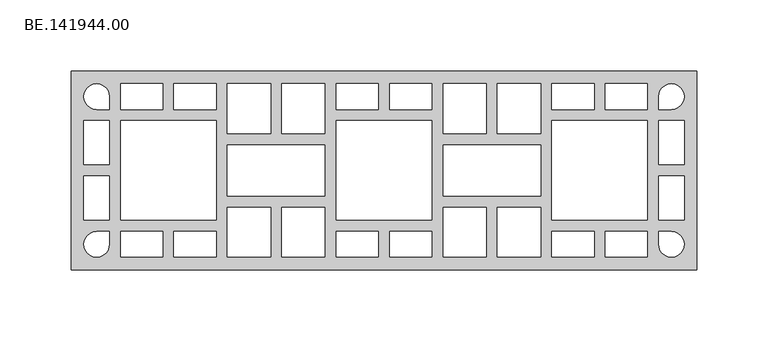
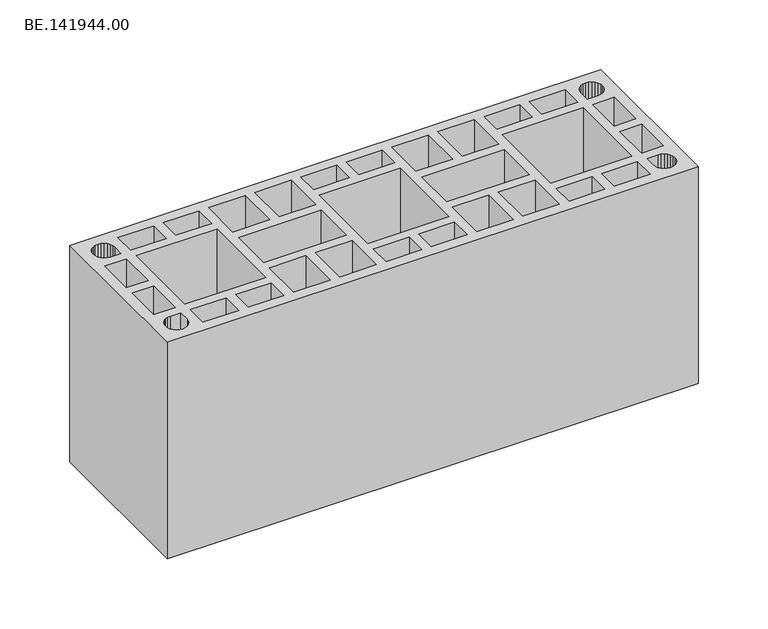
"""IFC4 building model written with IfcOpenShell, lengths in millimetres: proxy geometry, BE.141944.00."""

from ifc_helpers import new_model, si_unit, origin, origin_with_axes, place, context, project, spatial, polyline, outline, extrude, source, transform, mapped, element, save


def be_141944_00_9d6c3608(model_context):
    return source(origin(), model_context, "Body", "SweptSolid", [
        extrude(outline(polyline([(445.0, 70.0050293), (445.0, -70.0050293), (5.0, -70.0050293), (5.0, 70.0050293), (445.0, 70.0050293)]), holes=[polyline([(427.1016949, 42.9949707), (429.417906, 43.3016383), (431.5762712, 44.2007421), (433.4297014, 45.6310097), (434.8518884, 47.4949707), (435.7459125, 49.6655993), (436.0508475, 51.9949707), (435.7459125, 54.3243421), (434.8518884, 56.4949707), (433.4297014, 58.3589317), (431.5762712, 59.7891993), (429.417906, 60.6883031), (427.1016949, 60.9949707), (424.7854838, 60.6883031), (422.6271186, 59.7891993), (420.7736885, 58.3589317), (419.3515015, 56.4949707), (418.4574774, 54.3243421), (418.1525424, 51.9949707), (418.1525424, 42.9949707), (427.1016949, 42.9949707)]), polyline([(436.0508475, 34.9949707), (418.1525424, 34.9949707), (418.1525424, 3.9949707), (436.0508475, 3.9949707), (436.0508475, 34.9949707)]), polyline([(436.0508475, -35.0050293), (436.0508475, -4.0050293), (418.1525424, -4.0050293), (418.1525424, -35.0050293), (436.0508475, -35.0050293)]), polyline([(418.1525424, -43.0050293), (418.1525424, -52.0050293), (418.4574774, -54.3344007), (419.3515015, -56.5050293), (420.7736885, -58.3689903), (422.6271186, -59.7992579), (424.7854838, -60.6983617), (427.1016949, -61.0050293), (429.417906, -60.6983617), (431.5762712, -59.7992579), (433.4297014, -58.3689903), (434.8518884, -56.5050293), (435.7459125, -54.3344007), (436.0508475, -52.0050293), (435.7459125, -49.6756579), (434.8518884, -47.5050293), (433.4297014, -45.6410683), (431.5762712, -44.2108007), (429.417906, -43.3116969), (427.1016949, -43.0050293), (418.1525424, -43.0050293)]), polyline([(380.6158192, -61.0050293), (410.1977401, -61.0050293), (410.1977401, -43.0050293), (380.6158192, -43.0050293), (380.6158192, -61.0050293)]), polyline([(372.6610169, -43.0050293), (343.079096, -43.0050293), (343.079096, -61.0050293), (372.6610169, -61.0050293), (372.6610169, -43.0050293)]), polyline([(343.079096, -35.0050293), (410.1977401, -35.0050293), (410.1977401, 34.9949707), (343.079096, 34.9949707), (343.079096, -35.0050293)]), polyline([(380.6158192, 42.9949707), (410.1977401, 42.9949707), (410.1977401, 60.9949707), (380.6158192, 60.9949707), (380.6158192, 42.9949707)]), polyline([(343.079096, 42.9949707), (372.6610169, 42.9949707), (372.6610169, 60.9949707), (343.079096, 60.9949707), (343.079096, 42.9949707)]), polyline([(335.1242938, 25.9949707), (335.1242938, 60.9949707), (304.7966102, 60.9949707), (304.7966102, 25.9949707), (335.1242938, 25.9949707)]), polyline([(335.1242938, -18.0050293), (335.1242938, 17.9949707), (266.5141243, 17.9949707), (266.5141243, -18.0050293), (335.1242938, -18.0050293)]), polyline([(296.8418079, 25.9949707), (296.8418079, 60.9949707), (266.5141243, 60.9949707), (266.5141243, 25.9949707), (296.8418079, 25.9949707)]), polyline([(266.5141243, -26.0050293), (266.5141243, -61.0050293), (296.8418079, -61.0050293), (296.8418079, -26.0050293), (266.5141243, -26.0050293)]), polyline([(304.7966102, -26.0050293), (304.7966102, -61.0050293), (335.1242938, -61.0050293), (335.1242938, -26.0050293), (304.7966102, -26.0050293)]), polyline([(228.9774011, -61.0050293), (258.559322, -61.0050293), (258.559322, -43.0050293), (228.9774011, -43.0050293), (228.9774011, -61.0050293)]), polyline([(221.0225989, -61.0050293), (221.0225989, -43.0050293), (191.440678, -43.0050293), (191.440678, -61.0050293), (221.0225989, -61.0050293)]), polyline([(258.559322, -35.0050293), (258.559322, 34.9949707), (191.440678, 34.9949707), (191.440678, -35.0050293), (258.559322, -35.0050293)]), polyline([(228.9774011, 60.9949707), (228.9774011, 42.9949707), (258.559322, 42.9949707), (258.559322, 60.9949707), (228.9774011, 60.9949707)]), polyline([(221.0225989, 60.9949707), (191.440678, 60.9949707), (191.440678, 42.9949707), (221.0225989, 42.9949707), (221.0225989, 60.9949707)]), polyline([(153.1581921, 60.9949707), (153.1581921, 25.9949707), (183.4858757, 25.9949707), (183.4858757, 60.9949707), (153.1581921, 60.9949707)]), polyline([(114.8757062, 60.9949707), (114.8757062, 25.9949707), (145.2033898, 25.9949707), (145.2033898, 60.9949707), (114.8757062, 60.9949707)]), polyline([(183.4858757, 17.9949707), (114.8757062, 17.9949707), (114.8757062, -18.0050293), (183.4858757, -18.0050293), (183.4858757, 17.9949707)]), polyline([(114.8757062, -26.0050293), (114.8757062, -61.0050293), (145.2033898, -61.0050293), (145.2033898, -26.0050293), (114.8757062, -26.0050293)]), polyline([(153.1581921, -26.0050293), (153.1581921, -61.0050293), (183.4858757, -61.0050293), (183.4858757, -26.0050293), (153.1581921, -26.0050293)]), polyline([(106.920904, -43.0050293), (77.3389831, -43.0050293), (77.3389831, -61.0050293), (106.920904, -61.0050293), (106.920904, -43.0050293)]), polyline([(69.3841808, -43.0050293), (39.8022599, -43.0050293), (39.8022599, -61.0050293), (69.3841808, -61.0050293), (69.3841808, -43.0050293)]), polyline([(31.8474576, -43.0050293), (22.8983051, -43.0050293), (20.582094, -43.3116969), (18.4237288, -44.2108007), (16.5702986, -45.6410683), (15.1481116, -47.5050293), (14.2540875, -49.6756579), (13.9491525, -52.0050293), (14.2540875, -54.3344007), (15.1481116, -56.5050293), (16.5702986, -58.3689903), (18.4237288, -59.7992579), (20.582094, -60.6983617), (22.8983051, -61.0050293), (25.2145162, -60.6983617), (27.3728814, -59.7992579), (29.2263115, -58.3689903), (30.6484985, -56.5050293), (31.5425226, -54.3344007), (31.8474576, -52.0050293), (31.8474576, -43.0050293)]), polyline([(31.8474576, -4.0050293), (13.9491525, -4.0050293), (13.9491525, -35.0050293), (31.8474576, -35.0050293), (31.8474576, -4.0050293)]), polyline([(31.8474576, 3.9949707), (31.8474576, 34.9949707), (13.9491525, 34.9949707), (13.9491525, 3.9949707), (31.8474576, 3.9949707)]), polyline([(31.8474576, 42.9949707), (31.8474576, 51.9949707), (31.5425226, 54.3243421), (30.6484985, 56.4949707), (29.2263115, 58.3589317), (27.3728814, 59.7891993), (25.2145162, 60.6883031), (22.8983051, 60.9949707), (20.582094, 60.6883031), (18.4237288, 59.7891993), (16.5702986, 58.3589317), (15.1481116, 56.4949707), (14.2540875, 54.3243421), (13.9491525, 51.9949707), (14.2540875, 49.6655993), (15.1481116, 47.4949707), (16.5702986, 45.6310097), (18.4237288, 44.2007421), (20.582094, 43.3016383), (22.8983051, 42.9949707), (31.8474576, 42.9949707)]), polyline([(39.8022599, 60.9949707), (39.8022599, 42.9949707), (69.3841808, 42.9949707), (69.3841808, 60.9949707), (39.8022599, 60.9949707)]), polyline([(77.3389831, 60.9949707), (77.3389831, 42.9949707), (106.920904, 42.9949707), (106.920904, 60.9949707), (77.3389831, 60.9949707)]), polyline([(106.920904, 34.9949707), (39.8022599, 34.9949707), (39.8022599, -35.0050293), (106.920904, -35.0050293), (106.920904, 34.9949707)])]), origin_with_axes(), (0.0, 0.0, 1.0), 190.0),
    ])


if __name__ == "__main__":
    model = new_model("IFC4")
    model_context = context("Model", 3, world=origin())
    ifc_project = project(units=[si_unit("LENGTHUNIT", "METRE", prefix="MILLI")], contexts=[model_context])
    site = spatial("IfcSite", under=ifc_project)
    building = spatial("IfcBuilding", under=site)
    placement = place(None, origin())
    be_141944_00_shape = be_141944_00_9d6c3608(model_context)
    element("IfcBuildingElementProxy", 1, Name="BE.141944.00", ObjectType="BE.141944.00", at=placement, inside=building, context=model_context, shape_type="MappedRepresentation", body=[
        mapped(be_141944_00_shape, transform((0.0, 0.0, 0.0), x_axis=(1.0, 0.0, 0.0), y_axis=(0.0, 1.0, 0.0), z_axis=(0.0, 0.0, 1.0))),
    ])
    save(model, "model.ifc")
